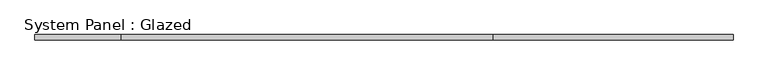
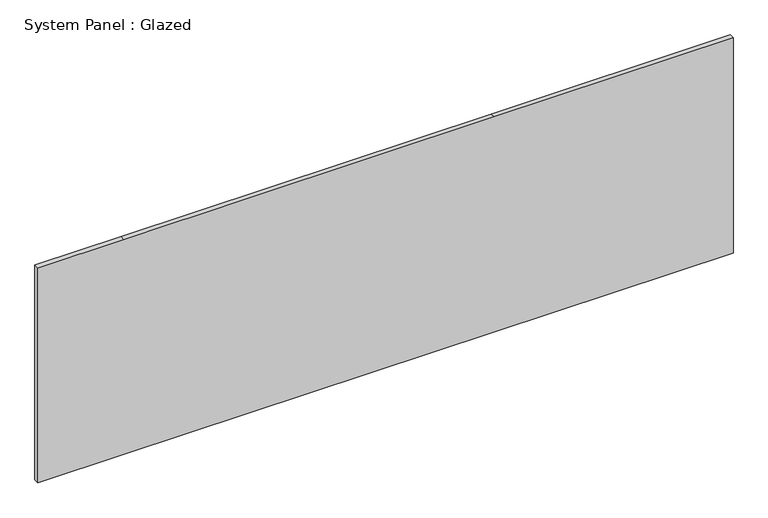
"""IFC4 building model written with IfcOpenShell, lengths in millimetres: plate geometry, System Panel : Glazed."""

from ifc_helpers import new_model, si_unit, frame, origin, place, context, project, spatial, polyline, outline, extrude, source, transform, mapped, element, save


def system_panel_glazed_e0dff94d(model_context):
    return source(origin(), model_context, "Body", "SweptSolid", [
        extrude(outline(polyline([(0.0, -1717.4825378), (0.0, -1292.0325378), (0.0, 536.7674622), (0.0, 1717.4825378), (1123.95, 1717.4825378), (1123.95, 536.7674622), (1123.95, -1292.0325378), (1123.95, -1717.4825378), (0.0, -1717.4825378)])), frame((0.0, 19.05, 0.0), z_axis=(0.0, 1.0, 0.0), x_axis=(0.0, 0.0, 1.0)), (0.0, 0.0, 1.0), 25.4),
    ])


if __name__ == "__main__":
    model = new_model("IFC4")
    model_context = context("Model", 3, world=origin())
    ifc_project = project(units=[si_unit("LENGTHUNIT", "METRE", prefix="MILLI")], contexts=[model_context])
    site = spatial("IfcSite", under=ifc_project)
    building = spatial("IfcBuilding", under=site)
    placement = place(None, origin())
    system_panel_glazed_shape = system_panel_glazed_e0dff94d(model_context)
    element("IfcPlate", 1, ObjectType="System Panel : Glazed", at=placement, inside=building, context=model_context, shape_type="MappedRepresentation", body=[
        mapped(system_panel_glazed_shape, transform((0.0, 0.0, 0.0), x_axis=(1.0, 0.0, 0.0), y_axis=(0.0, 1.0, 0.0), z_axis=(0.0, 0.0, 1.0))),
    ])
    save(model, "model.ifc")
